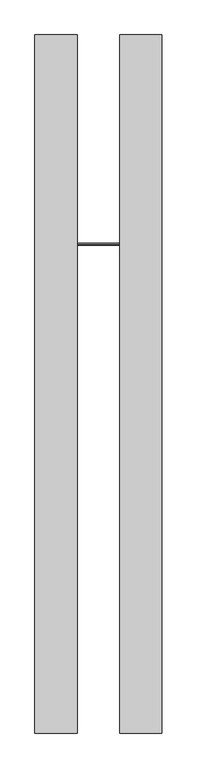
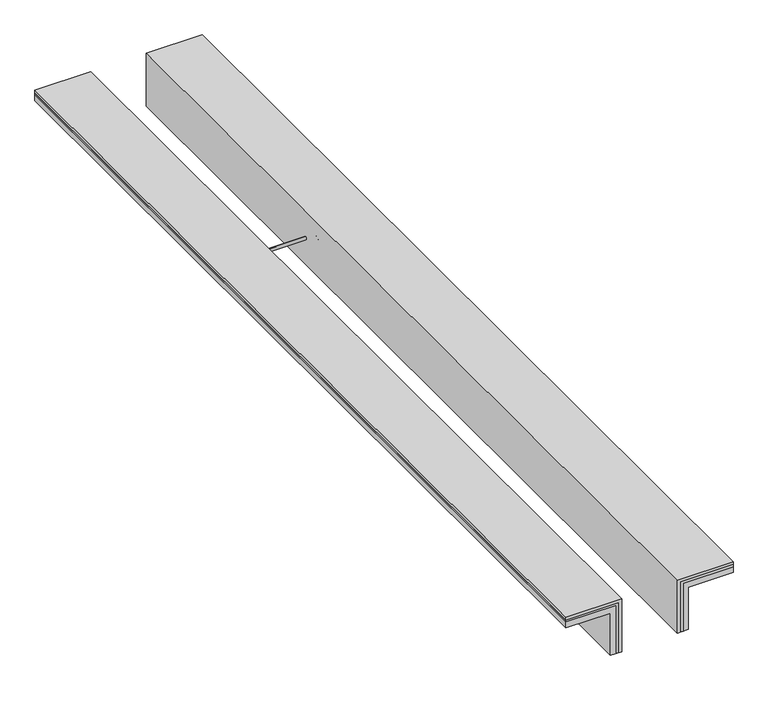
"""IFC4 building model written with IfcOpenShell, lengths in millimetres: proxy geometry."""

from ifc_helpers import new_model, si_unit, frame, origin, place, context, project, spatial, polyline, circle_curve, outline, extrude, source, transform, mapped, element, save
from ifc_brep_helpers import plane_surface, cylinder_surface, revolved_surface, advanced_brep


def generic_models_11c9d214(model_context):
    return source(origin(), model_context, "Body", "SolidModel", [
        advanced_brep(
        [(185.9351118, 2887.6565316, 101.3882588), (185.9351118, 2887.6565316, 145.9842478), (185.9351118, 2887.6565316, 125.9842478), (185.9351118, 2887.6565316, 121.3882588), (175.0, 2887.6565316, 101.3882588), (175.0, 2887.6565316, 145.9842478), (175.0, 2887.6565316, 116.3882588), (175.0, 2887.6565316, 130.9842478), (-175.0, 2887.6565316, 116.3882588), (-175.0, 2887.6565316, 130.9842478), (-175.0, 2887.6565316, 101.3882588), (-175.0, 2887.6565316, 145.9842478), (-184.0648882, 2887.6565316, 101.3882588), (-184.0648882, 2887.6565316, 145.9842478), (-184.0648882, 2887.6565316, 121.3882588), (-184.0648882, 2887.6565316, 125.9842478)],
        [
            (0, 1, circle_curve(frame((185.9351118, 2887.6565316, 123.6862533), z_axis=(1.0, 0.0, 0.0), x_axis=(0.0, 0.0, 1.0)), 22.2979945)),
            (1, 2),
            (2, 3, circle_curve(frame((185.9351118, 2887.6565316, 123.6862533), z_axis=(-1.0, 0.0, 0.0), x_axis=(0.0, 0.0, 1.0)), 2.2979945)),
            (3, 0),
            (1, 0, circle_curve(frame((185.9351118, 2887.6565316, 123.6862533), z_axis=(1.0, 0.0, 0.0), x_axis=(0.0, 0.0, 1.0)), 22.2979945)),
            (3, 2, circle_curve(frame((185.9351118, 2887.6565316, 123.6862533), z_axis=(-1.0, 0.0, 0.0), x_axis=(0.0, 0.0, 1.0)), 2.2979945)),
            (4, 5, circle_curve(frame((175.0, 2887.6565316, 123.6862533), z_axis=(1.0, 0.0, 0.0), x_axis=(0.0, 0.0, 1.0)), 22.2979945)),
            (5, 1),
            (0, 4),
            (5, 4, circle_curve(frame((175.0, 2887.6565316, 123.6862533), z_axis=(1.0, 0.0, 0.0), x_axis=(0.0, 0.0, 1.0)), 22.2979945)),
            (6, 7, circle_curve(frame((175.0, 2887.6565316, 123.6862533), z_axis=(1.0, 0.0, 0.0), x_axis=(0.0, 0.0, 1.0)), 7.2979945)),
            (7, 5),
            (4, 6),
            (7, 6, circle_curve(frame((175.0, 2887.6565316, 123.6862533), z_axis=(1.0, 0.0, 0.0), x_axis=(0.0, 0.0, 1.0)), 7.2979945)),
            (8, 9, circle_curve(frame((-175.0, 2887.6565316, 123.6862533), z_axis=(1.0, 0.0, 0.0), x_axis=(0.0, 0.0, 1.0)), 7.2979945)),
            (9, 7),
            (6, 8),
            (9, 8, circle_curve(frame((-175.0, 2887.6565316, 123.6862533), z_axis=(1.0, 0.0, 0.0), x_axis=(0.0, 0.0, 1.0)), 7.2979945)),
            (10, 11, circle_curve(frame((-175.0, 2887.6565316, 123.6862533), z_axis=(1.0, 0.0, 0.0), x_axis=(0.0, 0.0, 1.0)), 22.2979945)),
            (11, 9),
            (8, 10),
            (11, 10, circle_curve(frame((-175.0, 2887.6565316, 123.6862533), z_axis=(1.0, 0.0, 0.0), x_axis=(0.0, 0.0, 1.0)), 22.2979945)),
            (12, 13, circle_curve(frame((-184.0648882, 2887.6565316, 123.6862533), z_axis=(1.0, 0.0, 0.0), x_axis=(0.0, 0.0, 1.0)), 22.2979945)),
            (13, 11),
            (10, 12),
            (13, 12, circle_curve(frame((-184.0648882, 2887.6565316, 123.6862533), z_axis=(1.0, 0.0, 0.0), x_axis=(0.0, 0.0, 1.0)), 22.2979945)),
            (14, 15, circle_curve(frame((-184.0648882, 2887.6565316, 123.6862533), z_axis=(1.0, 0.0, 0.0), x_axis=(0.0, 0.0, 1.0)), 2.2979945)),
            (15, 13),
            (12, 14),
            (15, 14, circle_curve(frame((-184.0648882, 2887.6565316, 123.6862533), z_axis=(1.0, 0.0, 0.0), x_axis=(0.0, 0.0, 1.0)), 2.2979945)),
            (2, 15),
            (14, 3),
        ],
        [
            plane_surface(frame((185.9351118, 2887.6565316, 123.6862533), z_axis=(1.0, 0.0, 0.0), x_axis=(0.0, 0.0, 1.0))),
            cylinder_surface(frame((-28.6747099, 2887.6565316, 123.6862533), z_axis=(-1.0, 0.0, 0.0), x_axis=(0.0, 0.0, 1.0)), 22.2979945),
            plane_surface(frame((175.0, 2887.6565316, 123.6862533), z_axis=(-1.0, 0.0, 0.0), x_axis=(0.0, 0.0, 1.0))),
            cylinder_surface(frame((-28.6747099, 2887.6565316, 123.6862533), z_axis=(-1.0, 0.0, 0.0), x_axis=(0.0, 0.0, 1.0)), 7.2979945),
            plane_surface(frame((-175.0, 2887.6565316, 123.6862533), z_axis=(1.0, 0.0, 0.0), x_axis=(0.0, 0.0, 1.0))),
            plane_surface(frame((-184.0648882, 2887.6565316, 123.6862533), z_axis=(-1.0, 0.0, 0.0), x_axis=(0.0, 0.0, 1.0))),
            revolved_surface(polyline([(-184.0648882, 2887.6565316, 125.9842478), (185.9351118, 2887.6565316, 125.9842478)]), (-28.6747099, 2887.6565316, 123.6862533), (-1.0, 0.0, 0.0)),
        ],
        [
            (0, [[1, 2, 3, 4]]),
            (0, [[5, -4, 6, -2]]),
            (1, [[7, 8, -1, 9]]),
            (1, [[10, -9, -5, -8]]),
            (2, [[11, 12, -7, 13]]),
            (2, [[14, -13, -10, -12]]),
            (3, [[15, 16, -11, 17]]),
            (3, [[18, -17, -14, -16]]),
            (4, [[19, 20, -15, 21]]),
            (4, [[22, -21, -18, -20]]),
            (1, [[23, 24, -19, 25]]),
            (1, [[26, -25, -22, -24]]),
            (5, [[27, 28, -23, 29]]),
            (5, [[30, -29, -26, -28]]),
            (6, [[-3, 31, -27, 32]]),
            (6, [[-6, -32, -30, -31]]),
        ],
    ),
        extrude(outline(polyline([(235.5459331, -139.1197224), (235.5459331, -375.0), (228.035124, -375.0), (228.035124, -149.1197224), (0.0, -149.1197224), (0.0, -139.1197224), (235.5459331, -139.1197224)])), frame((0.0, 0.0, 0.0), z_axis=(0.0, 1.0, 0.0), x_axis=(0.0, 0.0, 1.0)), (0.0, 0.0, 1.0), 4124.1336383),
        extrude(outline(polyline([(0.0, 140.8802776), (0.0, 150.8802776), (228.0308778, 150.8802776), (228.0308778, 375.0), (237.6671083, 375.0), (237.6671083, 140.8802776), (0.0, 140.8802776)])), frame((0.0, 0.0, 0.0), z_axis=(0.0, 1.0, 0.0), x_axis=(0.0, 0.0, 1.0)), (0.0, 0.0, 1.0), 4124.1336383),
        extrude(outline(polyline([(250.0, -375.0), (200.0, -375.0), (200.0, -175.0), (0.0, -175.0), (0.0, -125.0), (250.0, -125.0), (250.0, -375.0)])), frame((0.0, 0.0, 0.0), z_axis=(0.0, 1.0, 0.0), x_axis=(0.0, 0.0, 1.0)), (0.0, 0.0, 1.0), 4124.1336383),
        extrude(outline(polyline([(250.0, 125.0), (0.0, 125.0), (0.0, 175.0), (200.0, 175.0), (200.0, 375.0), (250.0, 375.0), (250.0, 125.0)])), frame((0.0, 0.0, 0.0), z_axis=(0.0, 1.0, 0.0), x_axis=(0.0, 0.0, 1.0)), (0.0, 0.0, 1.0), 4124.1336383),
    ])


if __name__ == "__main__":
    model = new_model("IFC4")
    model_context = context("Model", 3, world=origin())
    ifc_project = project(units=[si_unit("LENGTHUNIT", "METRE", prefix="MILLI")], contexts=[model_context])
    site = spatial("IfcSite", under=ifc_project)
    building = spatial("IfcBuilding", under=site)
    placement = place(None, origin())
    generic_models_shape = generic_models_11c9d214(model_context)
    element("IfcBuildingElementProxy", 1, Name="Generic Models", at=placement, inside=building, context=model_context, shape_type="MappedRepresentation", body=[
        mapped(generic_models_shape, transform((0.0, 0.0, 0.0), x_axis=(1.0, 0.0, 0.0), y_axis=(0.0, 1.0, 0.0), z_axis=(0.0, 0.0, 1.0))),
    ])
    save(model, "model.ifc")
